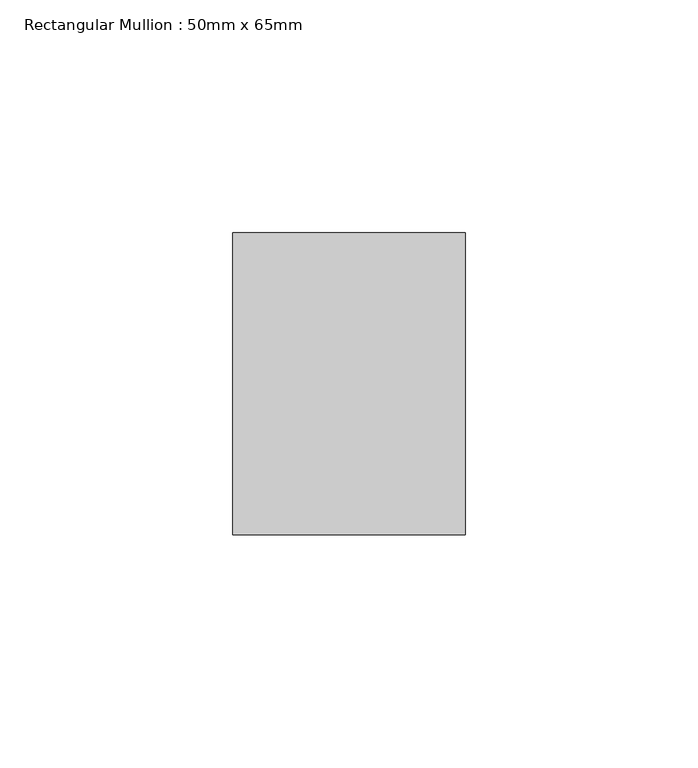
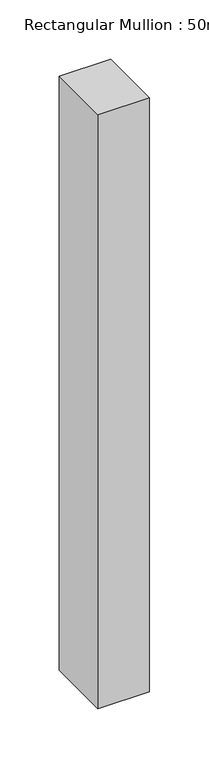
"""IFC4 building model written with IfcOpenShell, lengths in millimetres: member geometry, Rectangular Mullion : 50mm x 65mm."""

from ifc_helpers import new_model, si_unit, frame, origin, place, context, project, spatial, polyline, outline, extrude, source, transform, mapped, element, save


def rectangular_mullion_50mm_x_65mm_74d6f9da(model_context):
    return source(origin(), model_context, "Body", "SweptSolid", [
        extrude(outline(polyline([(25.0, 32.5), (25.0, -32.5), (-25.0, -32.5), (-25.0, 32.5), (25.0, 32.5)])), frame((0.0, 0.0, -610.7645686), z_axis=(0.0, 0.0, 1.0), x_axis=(1.0, 0.0, 0.0)), (0.0, 0.0, 1.0), 610.7645686),
    ])


if __name__ == "__main__":
    model = new_model("IFC4")
    model_context = context("Model", 3, world=origin())
    ifc_project = project(units=[si_unit("LENGTHUNIT", "METRE", prefix="MILLI")], contexts=[model_context])
    site = spatial("IfcSite", under=ifc_project)
    building = spatial("IfcBuilding", under=site)
    placement = place(None, origin())
    rectangular_mullion_50mm_x_65mm_shape = rectangular_mullion_50mm_x_65mm_74d6f9da(model_context)
    element("IfcMember", 1, ObjectType="Rectangular Mullion : 50mm x 65mm", at=placement, inside=building, context=model_context, shape_type="MappedRepresentation", body=[
        mapped(rectangular_mullion_50mm_x_65mm_shape, transform((0.0, 0.0, 0.0), x_axis=(1.0, 0.0, 0.0), y_axis=(0.0, 1.0, 0.0), z_axis=(0.0, 0.0, 1.0))),
    ])
    save(model, "model.ifc")
